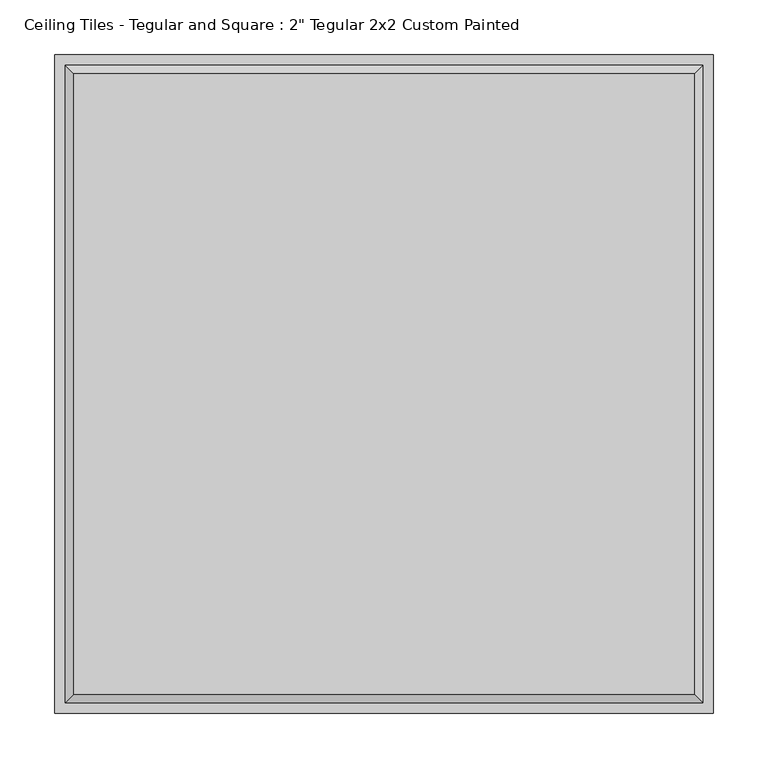
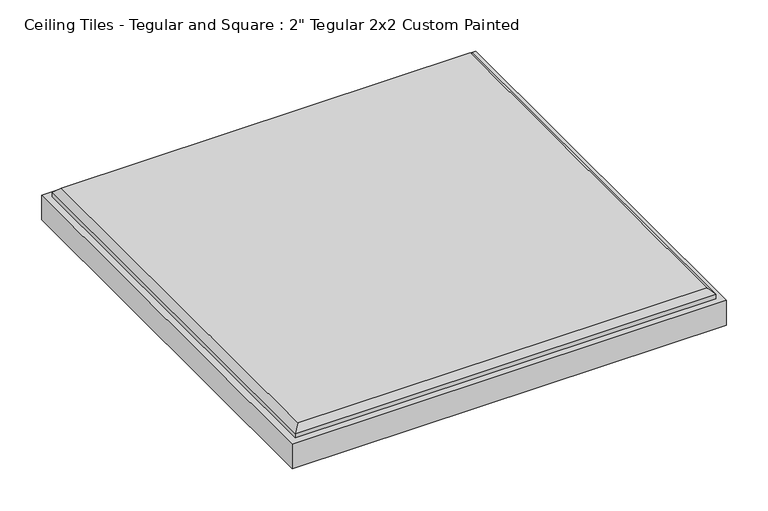
"""IFC4 building model written with IfcOpenShell, lengths in millimetres: proxy geometry."""

from ifc_helpers import new_model, si_unit, origin, place, context, project, spatial, faceted_brep, source, transform, mapped, element, save


def proxy_070f635a(model_context):
    return source(origin(), model_context, "Body", "Brep", [
        faceted_brep([(284.099, 284.099, 50.8), (-284.099, 284.099, 50.8), (-284.099, -284.099, 50.8), (284.099, -284.099, 50.8), (-301.625, 301.625, 0.0), (301.625, 301.625, 0.0), (301.625, -301.625, 0.0), (-301.625, -301.625, 0.0), (-301.625, -301.625, 36.5125), (-301.625, 301.625, 36.5125), (301.625, -301.625, 36.5125), (301.625, 301.625, 36.5125), (292.1, 292.1, 42.799), (-292.1, 292.1, 42.799), (-292.1, -292.1, 42.799), (292.1, -292.1, 42.799), (292.1, 292.1, 36.5125), (-292.1, 292.1, 36.5125), (-292.1, -292.1, 36.5125), (292.1, -292.1, 36.5125)], [[[0, 1, 2, 3]], [[4, 5, 6, 7]], [[4, 7, 8, 9]], [[7, 6, 10, 8]], [[6, 5, 11, 10]], [[5, 4, 9, 11]], [[12, 13, 1, 0]], [[1, 13, 14, 2]], [[2, 14, 15, 3]], [[12, 0, 3, 15]], [[16, 17, 13, 12]], [[13, 17, 18, 14]], [[14, 18, 19, 15]], [[16, 12, 15, 19]], [[9, 8, 10, 11], [17, 16, 19, 18]]]),
    ])


if __name__ == "__main__":
    model = new_model("IFC4")
    model_context = context("Model", 3, world=origin())
    ifc_project = project(units=[si_unit("LENGTHUNIT", "METRE", prefix="MILLI")], contexts=[model_context])
    site = spatial("IfcSite", under=ifc_project)
    building = spatial("IfcBuilding", under=site)
    placement = place(None, origin())
    proxy_shape = proxy_070f635a(model_context)
    element("IfcBuildingElementProxy", 1, Name="Ceiling Tiles - Tegular and Square : 2\" Tegular 2x2 Custom Painted", ObjectType="Ceiling Tiles - Tegular and Square : 2\" Tegular 2x2 Custom Painted", at=placement, inside=building, context=model_context, shape_type="MappedRepresentation", body=[
        mapped(proxy_shape, transform((0.0, 0.0, 0.0), x_axis=(1.0, 0.0, 0.0), y_axis=(0.0, 1.0, 0.0), z_axis=(0.0, 0.0, 1.0))),
    ])
    save(model, "model.ifc")
